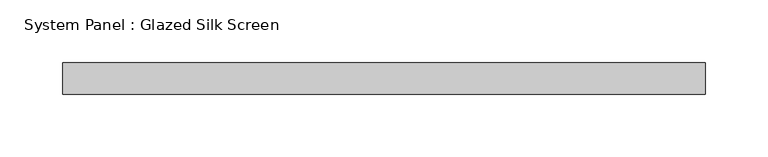
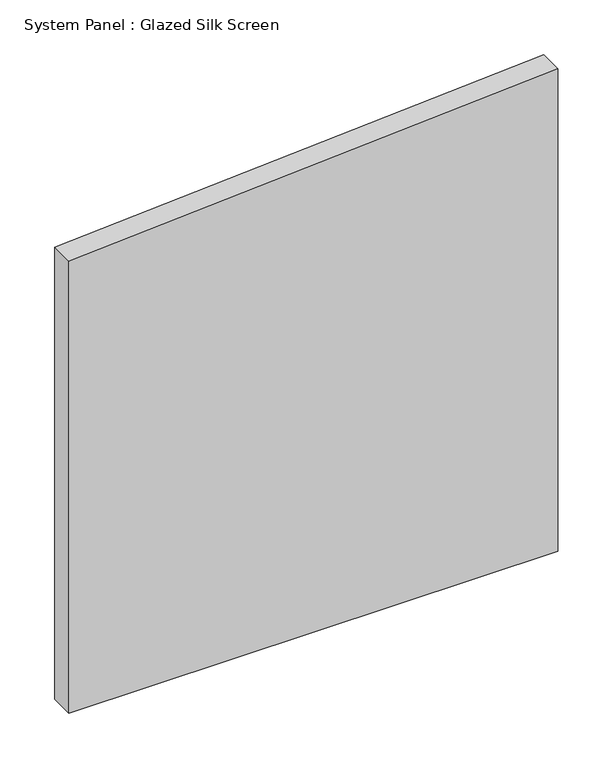
"""IFC4 building model written with IfcOpenShell, lengths in millimetres: plate geometry, System Panel : Glazed Silk Screen."""

from ifc_helpers import new_model, si_unit, frame, origin, place, context, project, spatial, polyline, outline, extrude, source, transform, mapped, element, save


def system_panel_glazed_silk_screen_a47e90bc(model_context):
    return source(origin(), model_context, "Body", "SweptSolid", [
        extrude(outline(polyline([(0.0, -257.1750002), (0.0, 257.1750002), (536.6290297, 257.1750002), (502.6942902, -257.1750002), (0.0, -257.1750002)])), frame((0.0, 19.05, 0.0), z_axis=(0.0, 1.0, 0.0), x_axis=(0.0, 0.0, 1.0)), (0.0, 0.0, 1.0), 25.4),
    ])


if __name__ == "__main__":
    model = new_model("IFC4")
    model_context = context("Model", 3, world=origin())
    ifc_project = project(units=[si_unit("LENGTHUNIT", "METRE", prefix="MILLI")], contexts=[model_context])
    site = spatial("IfcSite", under=ifc_project)
    building = spatial("IfcBuilding", under=site)
    placement = place(None, origin())
    system_panel_glazed_silk_screen_shape = system_panel_glazed_silk_screen_a47e90bc(model_context)
    element("IfcPlate", 1, ObjectType="System Panel : Glazed Silk Screen", at=placement, inside=building, context=model_context, shape_type="MappedRepresentation", body=[
        mapped(system_panel_glazed_silk_screen_shape, transform((0.0, 0.0, 0.0), x_axis=(1.0, 0.0, 0.0), y_axis=(0.0, 1.0, 0.0), z_axis=(0.0, 0.0, 1.0))),
    ])
    save(model, "model.ifc")
